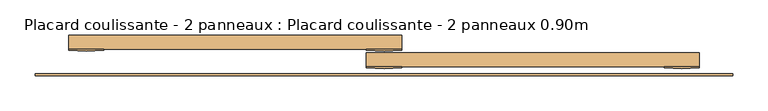
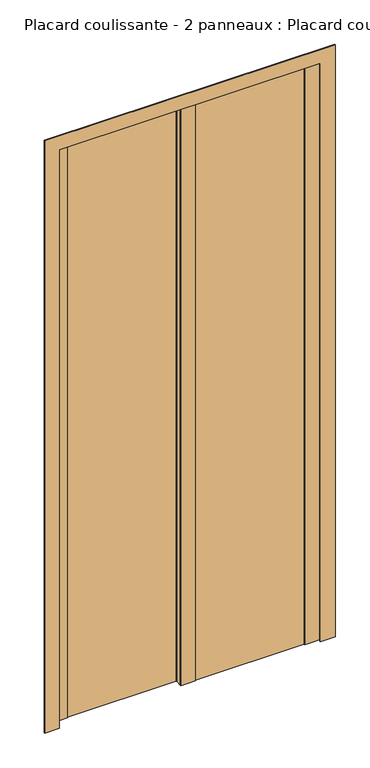
"""IFC4 building model written with IfcOpenShell, lengths in millimetres: door geometry, Placard coulissante - 2 panneaux : Placard coulissante - 2 panneaux 0.90m."""

import ifcopenshell
import ifcopenshell.guid

model = None  # the IFC model being written
_history = None  # IfcOwnerHistory: only IFC2X3 demands one
_inside = {}  # id of a spatial element -> (the spatial element, [elements in it])
_under = {}  # id of a project, library or spatial element -> (it, [spatial elements below it])
_declared = {}  # id of a project -> (the project, [libraries it declares])
_typed = {}  # id of a type object -> (the type object, [elements of that type])
_made_of = {}  # id of a material, layer set ... -> (it, [elements and type objects made of it])


def new_model(schema):
    """Start an empty IFC model of exactly this schema.

    Asked for "IFC4X3", IfcOpenShell would pick the latest addendum, in which some entities
    have other attributes; the version numbers below select the first issue.
    IFC2X3 requires an IfcOwnerHistory on every rooted entity: one is made here for all.
    """
    global model, _history
    if schema == "IFC4X3":
        model = ifcopenshell.file(schema_version=(4, 3, 0, 0))
    else:
        model = ifcopenshell.file(schema=schema)
    _inside.clear()
    _under.clear()
    _declared.clear()
    _typed.clear()
    _made_of.clear()
    _history = None
    if model.schema == "IFC2X3":
        org = make("IfcOrganization", Name="unknown")
        user = make(
            "IfcPersonAndOrganization",
            ThePerson=make("IfcPerson", FamilyName="unknown"),
            TheOrganization=org,
        )
        app = make(
            "IfcApplication",
            ApplicationDeveloper=org,
            Version="unknown",
            ApplicationFullName="unknown",
            ApplicationIdentifier="unknown",
        )
        _history = make(
            "IfcOwnerHistory",
            OwningUser=user,
            OwningApplication=app,
            ChangeAction="ADDED",
            CreationDate=0,
        )
    return model


def make(cls, **values):
    """One entity of the class cls with the attributes given. An attribute that is None is left unset."""
    return model.create_entity(
        cls, **{name: value for name, value in values.items() if value is not None}
    )


def rooted(cls, **values):
    """An entity with a GlobalId (a new one), such as an element, a storey or a relation."""
    return make(cls, GlobalId=ifcopenshell.guid.new(), OwnerHistory=_history, **values)


def si_unit(unit_type, name, prefix=None):
    """IfcSIUnit, for example si_unit("LENGTHUNIT", "METRE", prefix="MILLI")."""
    return make("IfcSIUnit", UnitType=unit_type, Prefix=prefix, Name=name)


def assignment(units):
    """IfcUnitAssignment: the units of a project."""
    return None if units is None else make("IfcUnitAssignment", Units=units)


def point(xyz):
    """IfcCartesianPoint."""
    return None if xyz is None else make("IfcCartesianPoint", Coordinates=xyz)


def direction(xyz):
    """IfcDirection."""
    return None if xyz is None else make("IfcDirection", DirectionRatios=xyz)


def frame(location, z_axis=None, x_axis=None):
    """IfcAxis2Placement3D, a coordinate frame: its origin and axes. An axis left out is left unset."""
    return make(
        "IfcAxis2Placement3D",
        Location=point(location),
        Axis=direction(z_axis),
        RefDirection=direction(x_axis),
    )


def frame_2d(location, x_axis=None):
    """IfcAxis2Placement2D, a coordinate frame in the plane: its origin and x axis."""
    return make(
        "IfcAxis2Placement2D", Location=point(location), RefDirection=direction(x_axis)
    )


def origin():
    """The frame at (0, 0, 0) with its axes left unset."""
    return frame((0.0, 0.0, 0.0))


def origin_with_axes():
    """The frame at (0, 0, 0) with the z axis (0, 0, 1) and the x axis (1, 0, 0) written out."""
    return frame((0.0, 0.0, 0.0), z_axis=(0.0, 0.0, 1.0), x_axis=(1.0, 0.0, 0.0))


def place(relative_to, where):
    """IfcLocalPlacement: puts the frame where relative to a parent placement (None: the world)."""
    return make(
        "IfcLocalPlacement", PlacementRelTo=relative_to, RelativePlacement=where
    )


def context(
    kind, dimensions, precision=None, world=None, true_north=None, identifier=None
):
    """IfcGeometricRepresentationContext, for example the 3D "Model" context."""
    return make(
        "IfcGeometricRepresentationContext",
        ContextIdentifier=identifier,
        ContextType=kind,
        CoordinateSpaceDimension=dimensions,
        Precision=precision,
        WorldCoordinateSystem=world,
        TrueNorth=true_north,
    )


def project(units=None, contexts=None):
    """IfcProject with its units and contexts."""
    return rooted(
        "IfcProject",
        Name="project",
        RepresentationContexts=contexts,
        UnitsInContext=assignment(units),
    )


def spatial(cls, under=None, at=None, **own):
    """A site, building, storey or space (cls), placed at a placement, below another one or the project."""
    s = rooted(cls, ObjectPlacement=at, **own)
    if under is not None:
        _under.setdefault(under.id(), (under, []))[1].append(s)
    return s


def polyline(points):
    """IfcPolyline through the points."""
    return make("IfcPolyline", Points=[point(p) for p in points])


def circle_curve(where, radius):
    """IfcCircle in the frame where."""
    return make("IfcCircle", Position=where, Radius=radius)


def trimmed(basis, trim1, trim2, sense, master):
    """IfcTrimmedCurve: the piece of a basis curve between two trims."""
    return make(
        "IfcTrimmedCurve",
        BasisCurve=basis,
        Trim1=trim1,
        Trim2=trim2,
        SenseAgreement=sense,
        MasterRepresentation=master,
    )


def segment(curve, same_sense, transition):
    """IfcCompositeCurveSegment."""
    return make(
        "IfcCompositeCurveSegment",
        Transition=transition,
        SameSense=same_sense,
        ParentCurve=curve,
    )


def composite_curve(segments, self_intersect=None):
    """IfcCompositeCurve: segments joined end to end."""
    return make("IfcCompositeCurve", Segments=segments, SelfIntersect=self_intersect)


def outline(outer, holes=None, kind="AREA"):
    """IfcArbitraryClosedProfileDef: a profile drawn as a closed curve; with holes, ...WithVoids."""
    if holes is None:
        return make("IfcArbitraryClosedProfileDef", ProfileType=kind, OuterCurve=outer)
    return make(
        "IfcArbitraryProfileDefWithVoids",
        ProfileType=kind,
        OuterCurve=outer,
        InnerCurves=holes,
    )


def extrude(swept, where, along, depth):
    """IfcExtrudedAreaSolid: the profile swept, set in the frame where, extruded along a direction by depth."""
    return make(
        "IfcExtrudedAreaSolid",
        SweptArea=swept,
        Position=where,
        ExtrudedDirection=direction(along),
        Depth=depth,
    )


def shape(context_of_items, identifier, shape_type, items):
    """IfcShapeRepresentation: the items that make up one representation, for example the "Body"."""
    return make(
        "IfcShapeRepresentation",
        ContextOfItems=context_of_items,
        RepresentationIdentifier=identifier,
        RepresentationType=shape_type,
        Items=items,
    )


def source(mapping_origin, context_of_items, identifier, shape_type, items):
    """IfcRepresentationMap: a shape defined once, which mapped items show again and again."""
    return make(
        "IfcRepresentationMap",
        MappingOrigin=mapping_origin,
        MappedRepresentation=shape(context_of_items, identifier, shape_type, items),
    )


def transform(
    local_origin,
    x_axis=None,
    y_axis=None,
    z_axis=None,
    scale=None,
    scale2=None,
    scale3=None,
    uniform=True,
):
    """IfcCartesianTransformationOperator3D, or its non-uniform kind. x_axis, y_axis, z_axis: its Axis1, 2, 3."""
    if uniform:
        return make(
            "IfcCartesianTransformationOperator3D",
            Axis1=direction(x_axis),
            Axis2=direction(y_axis),
            LocalOrigin=point(local_origin),
            Scale=scale,
            Axis3=direction(z_axis),
        )
    return make(
        "IfcCartesianTransformationOperator3DnonUniform",
        Axis1=direction(x_axis),
        Axis2=direction(y_axis),
        LocalOrigin=point(local_origin),
        Scale=scale,
        Axis3=direction(z_axis),
        Scale2=scale2,
        Scale3=scale3,
    )


def mapped(mapping_source, mapping_target):
    """IfcMappedItem: shows the shape of a source again, moved by a transform."""
    return make(
        "IfcMappedItem", MappingSource=mapping_source, MappingTarget=mapping_target
    )


def made_of(thing, what):
    """Note that an element or type object is made of a material, layer set ...; save() writes the relation."""
    if what is not None:
        _made_of.setdefault(what.id(), (what, []))[1].append(thing)
    return thing


def element(
    cls,
    number,
    at=None,
    inside=None,
    cuts=None,
    type_object=None,
    material=None,
    context=None,
    identifier="Body",
    shape_type=None,
    held_by="IfcProductDefinitionShape",
    body=None,
    shapes=None,
    **own,
):
    """One element of the class cls, such as IfcWall. Its Tag is "e" and its number.

    at: its placement. inside: the storey or other place that contains it. cuts: it is an
    opening in that element (IfcRelVoidsElement). A single representation is given by context,
    identifier, shape_type and body (its items); several are given by shapes. held_by: the class
    of the entity that holds the representations. save() writes the other relations.
    """
    e = rooted(cls, Tag="e%d" % number, ObjectPlacement=at, **own)
    if body is not None:
        shapes = [shape(context, identifier, shape_type, body)]
    if shapes is not None:
        e.Representation = make(held_by, Representations=shapes)
    if inside is not None:
        _inside.setdefault(inside.id(), (inside, []))[1].append(e)
    if cuts is not None:
        rooted(
            "IfcRelVoidsElement", RelatingBuildingElement=cuts, RelatedOpeningElement=e
        )
    if type_object is not None:
        _typed.setdefault(type_object.id(), (type_object, []))[1].append(e)
    return made_of(e, material)


def aggregate(whole, parts):
    """IfcRelAggregates: a whole, such as a stair, and the parts it consists of."""
    return rooted("IfcRelAggregates", RelatingObject=whole, RelatedObjects=parts)


def save(model, path):
    """Write the relations noted so far, then the file.

    IfcRelAggregates (storeys below a building ...), IfcRelContainedInSpatialStructure (elements
    in a storey), IfcRelDefinesByType, IfcRelAssociatesMaterial and IfcRelDeclares: one each for
    every whole, place, type object, material and project.
    """
    for whole, parts in _under.values():
        aggregate(whole, parts)
    for where, things in _inside.values():
        rooted(
            "IfcRelContainedInSpatialStructure",
            RelatedElements=things,
            RelatingStructure=where,
        )
    for kind, things in _typed.values():
        rooted("IfcRelDefinesByType", RelatedObjects=things, RelatingType=kind)
    for what, things in _made_of.values():
        rooted("IfcRelAssociatesMaterial", RelatedObjects=things, RelatingMaterial=what)
    for by, libraries in _declared.values():
        rooted("IfcRelDeclares", RelatingContext=by, RelatedDefinitions=libraries)
    model.write(path)


def placard_coulissante_2_panneaux_placard_coulissante_2_2df8730a(model_context):
    return source(origin(), model_context, "Body", "SweptSolid", [
        extrude(outline(composite_curve([segment(polyline([(450.0, -15.0), (450.0, -17.0)]), True, "CONTINUOUS"), segment(trimmed(circle_curve(frame_2d((425.0, 196.8603852)), 215.3166607), [point((450.0, -17.0))], [point((400.0, -17.0))], False, "CARTESIAN"), True, "CONTINUOUS"), segment(polyline([(400.0, -17.0), (400.0, -15.0), (450.0, -15.0)]), True, "CONTINUOUS")], self_intersect=False)), origin_with_axes(), (0.0, 0.0, 1.0), 2100.0),
        extrude(outline(composite_curve([segment(polyline([(25.0, -15.0), (25.0, -17.0)]), True, "CONTINUOUS"), segment(trimmed(circle_curve(frame_2d((0.0, 196.8603852)), 215.3166607), [point((25.0, -17.0))], [point((-25.0, -17.0))], False, "CARTESIAN"), True, "CONTINUOUS"), segment(polyline([(-25.0, -17.0), (-25.0, -15.0), (25.0, -15.0)]), True, "CONTINUOUS")], self_intersect=False)), origin_with_axes(), (0.0, 0.0, 1.0), 2100.0),
        extrude(outline(composite_curve([segment(polyline([(25.0, 10.0), (25.0, 8.0)]), True, "CONTINUOUS"), segment(trimmed(circle_curve(frame_2d((0.0, 221.8603852)), 215.3166607), [point((25.0, 8.0))], [point((-25.0, 8.0))], False, "CARTESIAN"), True, "CONTINUOUS"), segment(polyline([(-25.0, 8.0), (-25.0, 10.0), (25.0, 10.0)]), True, "CONTINUOUS")], self_intersect=False)), origin_with_axes(), (0.0, 0.0, 1.0), 2100.0),
        extrude(outline(composite_curve([segment(polyline([(-400.0, 10.0), (-400.0, 8.0)]), True, "CONTINUOUS"), segment(trimmed(circle_curve(frame_2d((-425.0, 221.8603852)), 215.3166607), [point((-400.0, 8.0))], [point((-450.0, 8.0))], False, "CARTESIAN"), True, "CONTINUOUS"), segment(polyline([(-450.0, 8.0), (-450.0, 10.0), (-400.0, 10.0)]), True, "CONTINUOUS")], self_intersect=False)), origin_with_axes(), (0.0, 0.0, 1.0), 2100.0),
        extrude(outline(polyline([(0.0, -498.0), (0.0, -448.0), (2098.0, -448.0), (2098.0, 448.0), (0.0, 448.0), (0.0, 498.0), (2148.0, 498.0), (2148.0, -498.0), (0.0, -498.0)])), frame((0.0, -28.0, 0.0), z_axis=(0.0, 1.0, 0.0), x_axis=(0.0, 0.0, 1.0)), (0.0, 0.0, 1.0), 3.0),
        extrude(outline(polyline([(450.0, -15.0), (-25.0, -15.0), (-25.0, 5.0), (450.0, 5.0), (450.0, -15.0)])), origin_with_axes(), (0.0, 0.0, 1.0), 2100.0),
        extrude(outline(polyline([(25.0, 10.0), (-450.0, 10.0), (-450.0, 30.0), (25.0, 30.0), (25.0, 10.0)])), origin_with_axes(), (0.0, 0.0, 1.0), 2100.0),
    ])


if __name__ == "__main__":
    model = new_model("IFC4")
    model_context = context("Model", 3, world=origin())
    ifc_project = project(units=[si_unit("LENGTHUNIT", "METRE", prefix="MILLI")], contexts=[model_context])
    site = spatial("IfcSite", under=ifc_project)
    building = spatial("IfcBuilding", under=site)
    placement = place(None, origin())
    placard_coulissante_2_panneaux_placard_coulissante_2_shape = placard_coulissante_2_panneaux_placard_coulissante_2_2df8730a(model_context)
    element("IfcDoor", 1, ObjectType="Placard coulissante - 2 panneaux : Placard coulissante - 2 panneaux 0.90m", at=placement, inside=building, context=model_context, shape_type="MappedRepresentation", body=[
        mapped(placard_coulissante_2_panneaux_placard_coulissante_2_shape, transform((0.0, 0.0, 0.0), x_axis=(1.0, 0.0, 0.0), y_axis=(0.0, 1.0, 0.0), z_axis=(0.0, 0.0, 1.0))),
    ])
    save(model, "model.ifc")
